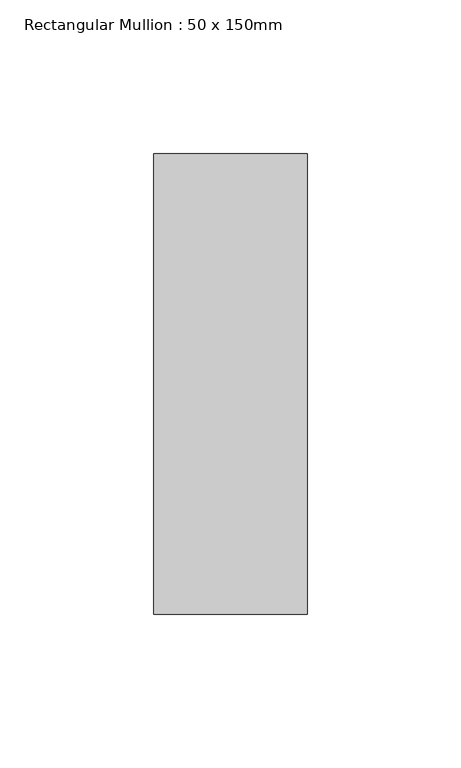
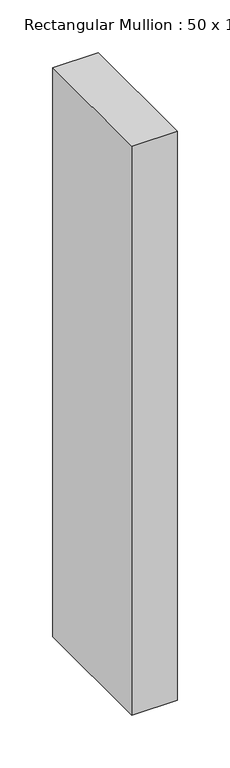
"""IFC4 building model written with IfcOpenShell, lengths in millimetres: member geometry, Rectangular Mullion : 50 x 150mm."""

from ifc_helpers import new_model, si_unit, frame, origin, place, context, project, spatial, polyline, outline, extrude, source, transform, mapped, element, save


def rectangular_mullion_50_x_150mm_e44dd610(model_context):
    return source(origin(), model_context, "Body", "SweptSolid", [
        extrude(outline(polyline([(0.0, 75.0), (0.0, -75.0), (-50.0, -75.0), (-50.0, 75.0), (0.0, 75.0)])), frame((0.0, 0.0, -660.0), z_axis=(0.0, 0.0, 1.0), x_axis=(1.0, 0.0, 0.0)), (0.0, 0.0, 1.0), 660.0),
    ])


if __name__ == "__main__":
    model = new_model("IFC4")
    model_context = context("Model", 3, world=origin())
    ifc_project = project(units=[si_unit("LENGTHUNIT", "METRE", prefix="MILLI")], contexts=[model_context])
    site = spatial("IfcSite", under=ifc_project)
    building = spatial("IfcBuilding", under=site)
    placement = place(None, origin())
    rectangular_mullion_50_x_150mm_shape = rectangular_mullion_50_x_150mm_e44dd610(model_context)
    element("IfcMember", 1, ObjectType="Rectangular Mullion : 50 x 150mm", at=placement, inside=building, context=model_context, shape_type="MappedRepresentation", body=[
        mapped(rectangular_mullion_50_x_150mm_shape, transform((0.0, 0.0, 0.0), x_axis=(1.0, 0.0, 0.0), y_axis=(0.0, 1.0, 0.0), z_axis=(0.0, 0.0, 1.0))),
    ])
    save(model, "model.ifc")
